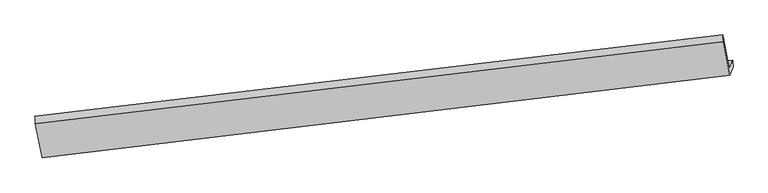
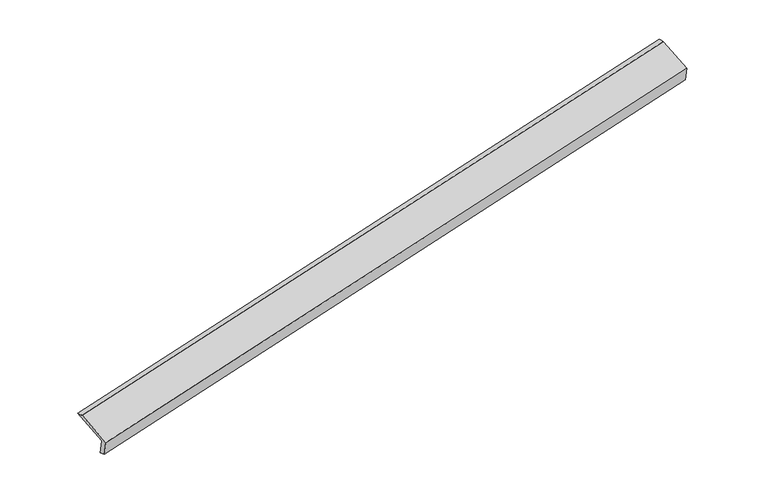
"""IFC4 building model written with IfcOpenShell, lengths in millimetres: proxy geometry."""

import ifcopenshell
import ifcopenshell.guid

model = None  # the IFC model being written
_history = None  # IfcOwnerHistory: only IFC2X3 demands one
_inside = {}  # id of a spatial element -> (the spatial element, [elements in it])
_under = {}  # id of a project, library or spatial element -> (it, [spatial elements below it])
_declared = {}  # id of a project -> (the project, [libraries it declares])
_typed = {}  # id of a type object -> (the type object, [elements of that type])
_made_of = {}  # id of a material, layer set ... -> (it, [elements and type objects made of it])


def new_model(schema):
    """Start an empty IFC model of exactly this schema.

    Asked for "IFC4X3", IfcOpenShell would pick the latest addendum, in which some entities
    have other attributes; the version numbers below select the first issue.
    IFC2X3 requires an IfcOwnerHistory on every rooted entity: one is made here for all.
    """
    global model, _history
    if schema == "IFC4X3":
        model = ifcopenshell.file(schema_version=(4, 3, 0, 0))
    else:
        model = ifcopenshell.file(schema=schema)
    _inside.clear()
    _under.clear()
    _declared.clear()
    _typed.clear()
    _made_of.clear()
    _history = None
    if model.schema == "IFC2X3":
        org = make("IfcOrganization", Name="unknown")
        user = make(
            "IfcPersonAndOrganization",
            ThePerson=make("IfcPerson", FamilyName="unknown"),
            TheOrganization=org,
        )
        app = make(
            "IfcApplication",
            ApplicationDeveloper=org,
            Version="unknown",
            ApplicationFullName="unknown",
            ApplicationIdentifier="unknown",
        )
        _history = make(
            "IfcOwnerHistory",
            OwningUser=user,
            OwningApplication=app,
            ChangeAction="ADDED",
            CreationDate=0,
        )
    return model


def make(cls, **values):
    """One entity of the class cls with the attributes given. An attribute that is None is left unset."""
    return model.create_entity(
        cls, **{name: value for name, value in values.items() if value is not None}
    )


def rooted(cls, **values):
    """An entity with a GlobalId (a new one), such as an element, a storey or a relation."""
    return make(cls, GlobalId=ifcopenshell.guid.new(), OwnerHistory=_history, **values)


def si_unit(unit_type, name, prefix=None):
    """IfcSIUnit, for example si_unit("LENGTHUNIT", "METRE", prefix="MILLI")."""
    return make("IfcSIUnit", UnitType=unit_type, Prefix=prefix, Name=name)


def assignment(units):
    """IfcUnitAssignment: the units of a project."""
    return None if units is None else make("IfcUnitAssignment", Units=units)


def point(xyz):
    """IfcCartesianPoint."""
    return None if xyz is None else make("IfcCartesianPoint", Coordinates=xyz)


def direction(xyz):
    """IfcDirection."""
    return None if xyz is None else make("IfcDirection", DirectionRatios=xyz)


def frame(location, z_axis=None, x_axis=None):
    """IfcAxis2Placement3D, a coordinate frame: its origin and axes. An axis left out is left unset."""
    return make(
        "IfcAxis2Placement3D",
        Location=point(location),
        Axis=direction(z_axis),
        RefDirection=direction(x_axis),
    )


def origin():
    """The frame at (0, 0, 0) with its axes left unset."""
    return frame((0.0, 0.0, 0.0))


def place(relative_to, where):
    """IfcLocalPlacement: puts the frame where relative to a parent placement (None: the world)."""
    return make(
        "IfcLocalPlacement", PlacementRelTo=relative_to, RelativePlacement=where
    )


def context(
    kind, dimensions, precision=None, world=None, true_north=None, identifier=None
):
    """IfcGeometricRepresentationContext, for example the 3D "Model" context."""
    return make(
        "IfcGeometricRepresentationContext",
        ContextIdentifier=identifier,
        ContextType=kind,
        CoordinateSpaceDimension=dimensions,
        Precision=precision,
        WorldCoordinateSystem=world,
        TrueNorth=true_north,
    )


def project(units=None, contexts=None):
    """IfcProject with its units and contexts."""
    return rooted(
        "IfcProject",
        Name="project",
        RepresentationContexts=contexts,
        UnitsInContext=assignment(units),
    )


def spatial(cls, under=None, at=None, **own):
    """A site, building, storey or space (cls), placed at a placement, below another one or the project."""
    s = rooted(cls, ObjectPlacement=at, **own)
    if under is not None:
        _under.setdefault(under.id(), (under, []))[1].append(s)
    return s


def shape(context_of_items, identifier, shape_type, items):
    """IfcShapeRepresentation: the items that make up one representation, for example the "Body"."""
    return make(
        "IfcShapeRepresentation",
        ContextOfItems=context_of_items,
        RepresentationIdentifier=identifier,
        RepresentationType=shape_type,
        Items=items,
    )


def source(mapping_origin, context_of_items, identifier, shape_type, items):
    """IfcRepresentationMap: a shape defined once, which mapped items show again and again."""
    return make(
        "IfcRepresentationMap",
        MappingOrigin=mapping_origin,
        MappedRepresentation=shape(context_of_items, identifier, shape_type, items),
    )


def transform(
    local_origin,
    x_axis=None,
    y_axis=None,
    z_axis=None,
    scale=None,
    scale2=None,
    scale3=None,
    uniform=True,
):
    """IfcCartesianTransformationOperator3D, or its non-uniform kind. x_axis, y_axis, z_axis: its Axis1, 2, 3."""
    if uniform:
        return make(
            "IfcCartesianTransformationOperator3D",
            Axis1=direction(x_axis),
            Axis2=direction(y_axis),
            LocalOrigin=point(local_origin),
            Scale=scale,
            Axis3=direction(z_axis),
        )
    return make(
        "IfcCartesianTransformationOperator3DnonUniform",
        Axis1=direction(x_axis),
        Axis2=direction(y_axis),
        LocalOrigin=point(local_origin),
        Scale=scale,
        Axis3=direction(z_axis),
        Scale2=scale2,
        Scale3=scale3,
    )


def mapped(mapping_source, mapping_target):
    """IfcMappedItem: shows the shape of a source again, moved by a transform."""
    return make(
        "IfcMappedItem", MappingSource=mapping_source, MappingTarget=mapping_target
    )


def made_of(thing, what):
    """Note that an element or type object is made of a material, layer set ...; save() writes the relation."""
    if what is not None:
        _made_of.setdefault(what.id(), (what, []))[1].append(thing)
    return thing


def element(
    cls,
    number,
    at=None,
    inside=None,
    cuts=None,
    type_object=None,
    material=None,
    context=None,
    identifier="Body",
    shape_type=None,
    held_by="IfcProductDefinitionShape",
    body=None,
    shapes=None,
    **own,
):
    """One element of the class cls, such as IfcWall. Its Tag is "e" and its number.

    at: its placement. inside: the storey or other place that contains it. cuts: it is an
    opening in that element (IfcRelVoidsElement). A single representation is given by context,
    identifier, shape_type and body (its items); several are given by shapes. held_by: the class
    of the entity that holds the representations. save() writes the other relations.
    """
    e = rooted(cls, Tag="e%d" % number, ObjectPlacement=at, **own)
    if body is not None:
        shapes = [shape(context, identifier, shape_type, body)]
    if shapes is not None:
        e.Representation = make(held_by, Representations=shapes)
    if inside is not None:
        _inside.setdefault(inside.id(), (inside, []))[1].append(e)
    if cuts is not None:
        rooted(
            "IfcRelVoidsElement", RelatingBuildingElement=cuts, RelatedOpeningElement=e
        )
    if type_object is not None:
        _typed.setdefault(type_object.id(), (type_object, []))[1].append(e)
    return made_of(e, material)


def aggregate(whole, parts):
    """IfcRelAggregates: a whole, such as a stair, and the parts it consists of."""
    return rooted("IfcRelAggregates", RelatingObject=whole, RelatedObjects=parts)


def save(model, path):
    """Write the relations noted so far, then the file.

    IfcRelAggregates (storeys below a building ...), IfcRelContainedInSpatialStructure (elements
    in a storey), IfcRelDefinesByType, IfcRelAssociatesMaterial and IfcRelDeclares: one each for
    every whole, place, type object, material and project.
    """
    for whole, parts in _under.values():
        aggregate(whole, parts)
    for where, things in _inside.values():
        rooted(
            "IfcRelContainedInSpatialStructure",
            RelatedElements=things,
            RelatingStructure=where,
        )
    for kind, things in _typed.values():
        rooted("IfcRelDefinesByType", RelatedObjects=things, RelatingType=kind)
    for what, things in _made_of.values():
        rooted("IfcRelAssociatesMaterial", RelatedObjects=things, RelatingMaterial=what)
    for by, libraries in _declared.values():
        rooted("IfcRelDeclares", RelatingContext=by, RelatedDefinitions=libraries)
    model.write(path)


def plane_surface(at):
    """IfcPlane: the flat surface through the origin of the frame at, square to its z axis."""
    return make("IfcPlane", Position=at)


def spline_surface(u_degree, v_degree, points, u_multiplicities, v_multiplicities, u_knots, v_knots, weights=None):
    """IfcBSplineSurfaceWithKnots; with weights, IfcRationalBSplineSurfaceWithKnots. points: one row for each step in u."""
    own = dict(
        UDegree=u_degree,
        VDegree=v_degree,
        ControlPointsList=[[point(p) for p in row] for row in points],
        SurfaceForm="UNSPECIFIED",
        UClosed=False,
        VClosed=False,
        SelfIntersect=False,
        UMultiplicities=u_multiplicities,
        VMultiplicities=v_multiplicities,
        UKnots=u_knots,
        VKnots=v_knots,
        KnotSpec="UNSPECIFIED",
    )
    if weights is None:
        return make("IfcBSplineSurfaceWithKnots", **own)
    return make("IfcRationalBSplineSurfaceWithKnots", WeightsData=weights, **own)


def advanced_brep(points, edges, surfaces, faces):
    """IfcAdvancedBrep: a solid bounded by faces that lie on surfaces and meet in shared edges.

    An edge is (start, end): straight between two places in points (the first is 0);
    or (start, end, curve); or (start, end, curve, False) where it runs against its curve.
    A face is (place in surfaces, loops), or (place, loops, False) where it looks against
    its surface's normal. A loop lists edges by number (the first is 1), with a minus sign
    where the edge is run from its end to its start. The first loop is the outer one.
    """
    corners = [point(p) for p in points]
    vertices = [make("IfcVertexPoint", VertexGeometry=c) for c in corners]
    made = []
    for start, end, *more in edges:
        made.append(
            make(
                "IfcEdgeCurve",
                EdgeStart=vertices[start],
                EdgeEnd=vertices[end],
                EdgeGeometry=more[0] if more else make("IfcPolyline", Points=[corners[start], corners[end]]),
                SameSense=more[1] if len(more) > 1 else True,
            )
        )
    hull = []
    for where, loops, *sense in faces:
        bounds = []
        for j, loop in enumerate(loops):
            ring = [make("IfcOrientedEdge", EdgeElement=made[abs(k) - 1], Orientation=k > 0) for k in loop]
            bounds.append(
                make(
                    "IfcFaceOuterBound" if j == 0 else "IfcFaceBound",
                    Bound=make("IfcEdgeLoop", EdgeList=ring),
                    Orientation=True,
                )
            )
        hull.append(make("IfcAdvancedFace", Bounds=bounds, FaceSurface=surfaces[where], SameSense=sense[0] if sense else True))
    return make("IfcAdvancedBrep", Outer=make("IfcClosedShell", CfsFaces=hull))


def generic_models_1fc914e0(model_context):
    return source(origin(), model_context, "Body", "AdvancedBrep", [
        advanced_brep(
        [(-9711.1562603, -2370.5913994, 74.7591783), (-9779.3546493, -2548.1492434, 484.9970856), (4097.2021395, -898.8403938, 3417.5188516), (4164.6464333, -723.2458737, 3011.817099), (-9704.1037994, -2515.9053279, 119.7591806), (4169.8566008, -859.4316485, 3060.4616544), (-9771.7565053, -2692.0424592, 526.7146074), (4104.4661806, -1029.6788084, 3453.8086169), (-9909.6100566, -2009.0087991, 799.4261046), (3968.4549227, -355.7733019, 3722.875561), (-9919.6376252, -1853.0783254, 762.5146397), (3958.761457, -212.8976294, 3691.3918526)],
        [
            (0, 1),
            (1, 2),
            (2, 3),
            (3, 0),
            (4, 0),
            (3, 5),
            (5, 4),
            (6, 4),
            (5, 7),
            (7, 6),
            (8, 6),
            (7, 9),
            (9, 8),
            (10, 8),
            (9, 11),
            (11, 10),
            (1, 10),
            (11, 2),
        ],
        [
            plane_surface(frame((-9745.2554548, -2459.3703214, 279.8781319), z_axis=(-0.18544125667878908, 0.9126746633430308, 0.3641929422889431), x_axis=(-0.15081904461452478, -0.3926647652548296, 0.9072309507004993))),
            spline_surface(1, 1, [[(-9704.1037994, -2515.9053279, 119.7591806), (4169.8566008, -859.4316485, 3060.4616544)], [(-9711.1562603, -2370.5913994, 74.7591783), (4164.6464333, -723.2458737, 3011.817099)]], [2, 2], [2, 2], [0.0, 1.0], [0.0, 1.0]),
            plane_surface(frame((-9737.9301523, -2603.9738935, 323.236894), z_axis=(0.18612126742958057, -0.9125950813841057, -0.3640454521676438), x_axis=(0.1508190446143068, 0.39266476525481936, -0.9072309507005399))),
            plane_surface(frame((-9840.6832809, -2350.5256292, 663.070356), z_axis=(-0.1446941938408789, -0.3919499338191055, 0.9085366473885008), x_axis=(0.18422933786075443, -0.9128153588210647, -0.3644553083325293))),
            spline_surface(1, 1, [[(-9919.6376252, -1853.0783254, 762.5146397), (3958.761457, -212.8976294, 3691.3918526)], [(-9909.6100566, -2009.0087991, 799.4261046), (3968.4549227, -355.7733019, 3722.875561)]], [2, 2], [2, 2], [0.0, 1.0], [0.0, 1.0]),
            plane_surface(frame((-9849.4961373, -2200.6137844, 623.7558627), z_axis=(0.145375006014346, 0.39203012726675407, -0.9083933547431652), x_axis=(-0.1842293378607581, 0.9128153588210632, 0.3644553083325311))),
            plane_surface(frame((4077.231289, -679.9779426, 3392.9789392), z_axis=(0.9712431038895544, 0.11217175592701853, 0.21001031003080256), x_axis=(0.18422933786075443, -0.9128153588210647, -0.3644553083325293))),
            plane_surface(frame((-9799.269816, -2331.4625924, 461.3617994), z_axis=(-0.9712431038895524, -0.11217175592677206, -0.21001031003094306), x_axis=(0.15081904461452672, 0.39266476525483535, -0.9072309507004963))),
        ],
        [
            (0, [[1, 2, 3, 4]]),
            (1, [[5, -4, 6, 7]]),
            (2, [[8, -7, 9, 10]]),
            (3, [[11, -10, 12, 13]]),
            (4, [[14, -13, 15, 16]]),
            (5, [[17, -16, 18, -2]]),
            (6, [[-12, -9, -6, -3, -18, -15]]),
            (7, [[-1, -5, -8, -11, -14, -17]]),
        ],
    ),
    ])


if __name__ == "__main__":
    model = new_model("IFC4")
    model_context = context("Model", 3, world=origin())
    ifc_project = project(units=[si_unit("LENGTHUNIT", "METRE", prefix="MILLI")], contexts=[model_context])
    site = spatial("IfcSite", under=ifc_project)
    building = spatial("IfcBuilding", under=site)
    placement = place(None, origin())
    generic_models_shape = generic_models_1fc914e0(model_context)
    element("IfcBuildingElementProxy", 1, Name="Generic Models", at=placement, inside=building, context=model_context, shape_type="MappedRepresentation", body=[
        mapped(generic_models_shape, transform((0.0, 0.0, 0.0), x_axis=(1.0, 0.0, 0.0), y_axis=(0.0, 1.0, 0.0), z_axis=(0.0, 0.0, 1.0))),
    ])
    save(model, "model.ifc")
